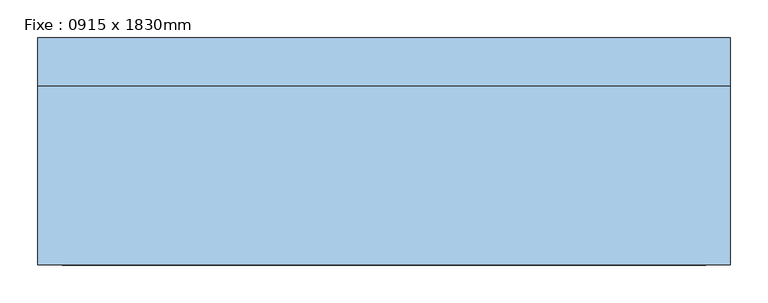
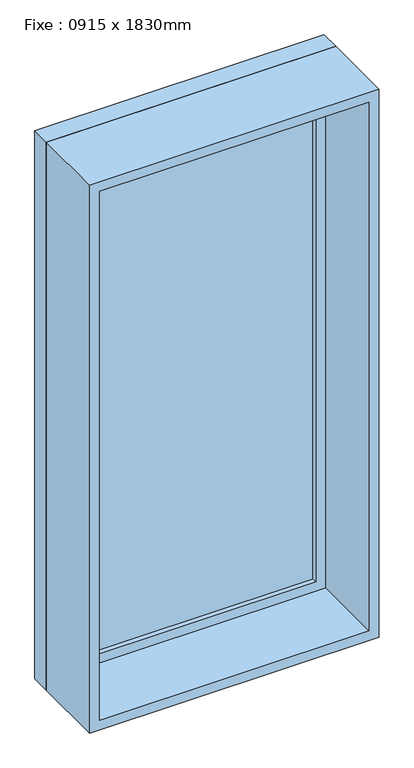
"""IFC4 building model written with IfcOpenShell, lengths in millimetres: window geometry, Fixe : 0915 x 1830mm."""

from ifc_helpers import new_model, si_unit, frame, origin, place, context, project, spatial, polyline, outline, extrude, source, transform, mapped, element, save


def fixe_0915_x_1830mm_2a137b51(model_context):
    return source(origin(), model_context, "Body", "SweptSolid", [
        extrude(outline(polyline([(-394.5, 128.0), (394.5, 128.0), (394.5, 116.0), (-394.5, 116.0), (-394.5, 128.0)])), frame((0.0, 0.0, 368.0), z_axis=(0.0, 0.0, 1.0), x_axis=(1.0, 0.0, 0.0)), (0.0, 0.0, 1.0), 1704.0),
        extrude(outline(polyline([(2116.0, -438.5), (324.0, -438.5), (324.0, 438.5), (2116.0, 438.5), (2116.0, -438.5)]), holes=[polyline([(2072.0, -394.5), (2072.0, 394.5), (368.0, 394.5), (368.0, -394.5), (2072.0, -394.5)])]), frame((0.0, 100.0, 0.0), z_axis=(0.0, 1.0, 0.0), x_axis=(0.0, 0.0, 1.0)), (0.0, 0.0, 1.0), 44.0),
        extrude(outline(polyline([(2135.0, -457.5), (305.0, -457.5), (305.0, 457.5), (2135.0, 457.5), (2135.0, -457.5)]), holes=[polyline([(2116.0, -438.5), (2116.0, 438.5), (324.0, 438.5), (324.0, -438.5), (2116.0, -438.5)])]), frame((0.0, 100.0, 0.0), z_axis=(0.0, 1.0, 0.0), x_axis=(0.0, 0.0, 1.0)), (0.0, 0.0, 1.0), 63.0),
        extrude(outline(polyline([(2135.0, -457.5), (305.0, -457.5), (305.0, 457.5), (2135.0, 457.5), (2135.0, -457.5)]), holes=[polyline([(2103.0, -425.5), (2103.0, 425.5), (337.0, 425.5), (337.0, -425.5), (2103.0, -425.5)])]), frame((0.0, -137.0, 0.0), z_axis=(0.0, 1.0, 0.0), x_axis=(0.0, 0.0, 1.0)), (0.0, 0.0, 1.0), 237.0),
    ])


if __name__ == "__main__":
    model = new_model("IFC4")
    model_context = context("Model", 3, world=origin())
    ifc_project = project(units=[si_unit("LENGTHUNIT", "METRE", prefix="MILLI")], contexts=[model_context])
    site = spatial("IfcSite", under=ifc_project)
    building = spatial("IfcBuilding", under=site)
    placement = place(None, origin())
    fixe_0915_x_1830mm_shape = fixe_0915_x_1830mm_2a137b51(model_context)
    element("IfcWindow", 1, ObjectType="Fixe : 0915 x 1830mm", at=placement, inside=building, context=model_context, shape_type="MappedRepresentation", body=[
        mapped(fixe_0915_x_1830mm_shape, transform((0.0, 0.0, 0.0), x_axis=(1.0, 0.0, 0.0), y_axis=(0.0, 1.0, 0.0), z_axis=(0.0, 0.0, 1.0))),
    ])
    save(model, "model.ifc")
